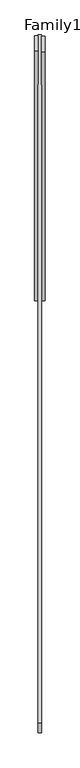
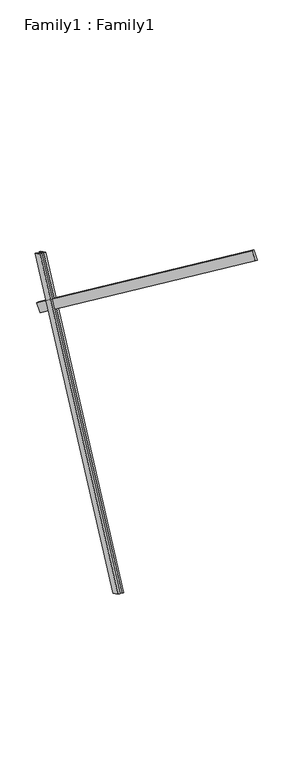
"""IFC4 building model written with IfcOpenShell, lengths in millimetres: proxy geometry, Family1 : Family1."""

from ifc_helpers import new_model, si_unit, frame, origin, place, context, project, spatial, polyline, outline, extrude, source, transform, mapped, element, save


def family1_family1_f79edda2(model_context):
    return source(origin(), model_context, "Body", "SweptSolid", [
        extrude(outline(polyline([(0.0, 0.0), (0.0, -20.0), (-100.0000001, -20.0), (-100.0000001, 0.0), (0.0, 0.0)])), frame((-30.0, 46.3241747, -22.5938096), z_axis=(0.0, 0.4383711467890692, 0.8987940462991711), x_axis=(0.0, 0.8987940462991711, -0.4383711467890692)), (0.0, 0.0, 1.0), 3300.0),
        extrude(outline(polyline([(0.0, 0.0), (0.0, -20.0), (-99.9999999, -20.0), (-99.9999999, 0.0), (0.0, 0.0)])), frame((10.0, 45.270232, -22.0797674), z_axis=(0.0, 0.4383711467890692, 0.8987940462991711), x_axis=(0.0, 0.8987940462991711, -0.4383711467890692)), (0.0, 0.0, 1.0), 3300.0),
        extrude(outline(polyline([(0.0, -20.0), (0.0, 0.0), (5000.0, 0.0), (5000.0, -20.0), (0.0, -20.0)])), frame((-10.0, -2554.8507717, 5304.1764818), z_axis=(0.0, 0.60181502315205, 0.7986355100472916), x_axis=(0.0, 0.7986355100472916, -0.60181502315205)), (0.0, 0.0, 1.0), 100.0),
    ])


if __name__ == "__main__":
    model = new_model("IFC4")
    model_context = context("Model", 3, world=origin())
    ifc_project = project(units=[si_unit("LENGTHUNIT", "METRE", prefix="MILLI")], contexts=[model_context])
    site = spatial("IfcSite", under=ifc_project)
    building = spatial("IfcBuilding", under=site)
    placement = place(None, origin())
    family1_family1_shape = family1_family1_f79edda2(model_context)
    element("IfcBuildingElementProxy", 1, Name="Family1 : Family1", ObjectType="Family1 : Family1", at=placement, inside=building, context=model_context, shape_type="MappedRepresentation", body=[
        mapped(family1_family1_shape, transform((0.0, 0.0, 0.0), x_axis=(1.0, 0.0, 0.0), y_axis=(0.0, 1.0, 0.0), z_axis=(0.0, 0.0, 1.0))),
    ])
    save(model, "model.ifc")
